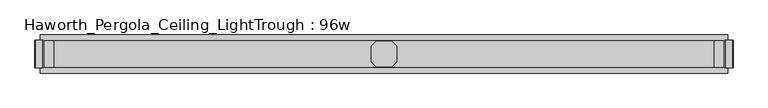
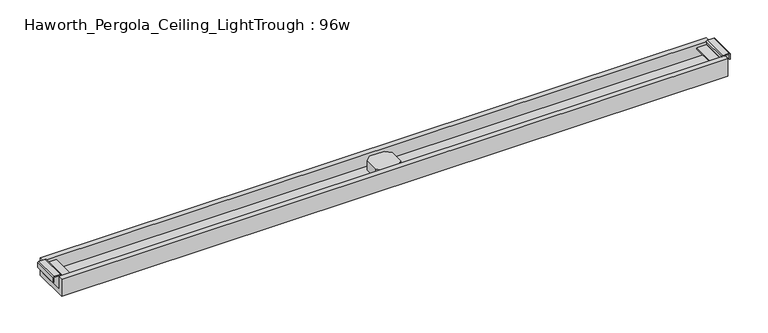
"""IFC4 building model written with IfcOpenShell, lengths in millimetres: furniture geometry, Haworth_Pergola_Ceiling_LightTrough : 96w."""

from ifc_helpers import new_model, si_unit, point, frame, frame_2d, origin, place, context, project, spatial, polyline, circle_curve, trimmed, segment, composite_curve, outline, extrude, source, transform, mapped, element, save


def haworth_pergola_ceiling_lighttrough_96w_c51599e8(model_context):
    return source(origin(), model_context, "Body", "SweptSolid", [
        extrude(outline(polyline([(335.2419998, 26.8840513), (353.3159515, 44.9580002), (407.0840484, 44.9580002), (425.1580002, 26.8840513), (425.1580002, -26.8840485), (407.0840484, -44.9580002), (353.3159515, -44.9580002), (335.2419998, -26.8840485), (335.2419998, 26.8840513)])), frame((0.0, 0.0, 2389.4796), z_axis=(0.0, 0.0, 1.0), x_axis=(1.0, 0.0, 0.0)), (0.0, 0.0, 1.0), 38.0999994),
        extrude(outline(composite_curve([segment(polyline([(2418.3545999, 1618.7534303), (2437.4045999, 1618.7534303)]), True, "CONTINUOUS"), segment(trimmed(circle_curve(frame_2d((2437.4045999, 1615.0934293)), 3.660001), [point((2437.4045999, 1618.7534303))], [point((2441.0646008, 1615.0934293))], False, "CARTESIAN"), True, "CONTINUOUS"), segment(polyline([(2441.0646008, 1615.0934293), (2441.0646008, 1591.6934303)]), True, "CONTINUOUS"), segment(trimmed(circle_curve(frame_2d((2437.0478931, 1592.0670697)), 4.0340485), [point((2441.0646008, 1591.6934303))], [point((2437.0478931, 1588.0330212))], False, "CARTESIAN"), True, "CONTINUOUS"), segment(polyline([(2437.0478931, 1588.0330212), (2426.6645986, 1588.0330212), (2425.6646, 1587.0330226), (2425.6646, 1551.5434301), (2423.0046, 1551.5434301), (2423.0046, 1587.0334301), (2423.0046, 1597.4999999), (2389.4796, 1597.4999999), (2389.4796, 1599.4), (2437.0478931, 1599.4), (2437.0478931, 1597.4999999), (2426.6645986, 1597.4999999), (2426.6645986, 1590.69343), (2437.0478931, 1590.69343), (2438.4045979, 1591.6934303), (2438.4045979, 1615.0934316), (2437.4045999, 1616.0934296), (2418.3545999, 1616.0934296), (2418.3545999, 1618.7534303)]), True, "CONTINUOUS")], self_intersect=False)), frame((0.0, -48.650001, 0.0), z_axis=(0.0, 1.0, 0.0), x_axis=(0.0, 0.0, 1.0)), (0.0, 0.0, 1.0), 97.3000021),
        extrude(outline(composite_curve([segment(polyline([(2418.3545999, -858.3534303), (2418.3545999, -855.6934296), (2437.4045999, -855.6934296), (2438.4045979, -854.6934316), (2438.4045979, -831.2934303), (2437.0478931, -830.29343), (2426.6645986, -830.29343), (2426.6645986, -837.1), (2437.0478931, -837.1), (2437.0478931, -839.0), (2389.4796, -839.0), (2389.4796, -837.1), (2423.0046, -837.1), (2423.0046, -826.6334301), (2423.0046, -791.1434301), (2425.6646, -791.1434301), (2425.6646, -826.6330226), (2426.6645986, -827.6330212), (2437.0478931, -827.6330212)]), True, "CONTINUOUS"), segment(trimmed(circle_curve(frame_2d((2437.0478931, -831.6670697)), 4.0340485), [point((2437.0478931, -827.6330212))], [point((2441.0646008, -831.2934303))], False, "CARTESIAN"), True, "CONTINUOUS"), segment(polyline([(2441.0646008, -831.2934303), (2441.0646008, -854.6934294)]), True, "CONTINUOUS"), segment(trimmed(circle_curve(frame_2d((2437.4045999, -854.6934294)), 3.660001), [point((2441.0646008, -854.6934294))], [point((2437.4045999, -858.3534303))], False, "CARTESIAN"), True, "CONTINUOUS"), segment(polyline([(2437.4045999, -858.3534303), (2418.3545999, -858.3534303)]), True, "CONTINUOUS")], self_intersect=False)), frame((0.0, -48.650001, 0.0), z_axis=(0.0, 1.0, 0.0), x_axis=(0.0, 0.0, 1.0)), (0.0, 0.0, 1.0), 97.3000021),
        extrude(outline(polyline([(67.700001, 2370.4296), (-67.700001, 2370.4296), (-67.700001, 2437.0478931), (-48.650001, 2437.0478931), (-48.650001, 2389.4796), (48.650001, 2389.4796), (48.650001, 2437.0478931), (67.700001, 2437.0478931), (67.700001, 2370.4296)])), frame((-839.0, 0.0, 0.0), z_axis=(1.0, 0.0, 0.0), x_axis=(0.0, 1.0, 0.0)), (0.0, 0.0, 1.0), 2438.4),
    ])


if __name__ == "__main__":
    model = new_model("IFC4")
    model_context = context("Model", 3, world=origin())
    ifc_project = project(units=[si_unit("LENGTHUNIT", "METRE", prefix="MILLI")], contexts=[model_context])
    site = spatial("IfcSite", under=ifc_project)
    building = spatial("IfcBuilding", under=site)
    placement = place(None, origin())
    haworth_pergola_ceiling_lighttrough_96w_shape = haworth_pergola_ceiling_lighttrough_96w_c51599e8(model_context)
    element("IfcFurniture", 1, ObjectType="Haworth_Pergola_Ceiling_LightTrough : 96w", at=placement, inside=building, context=model_context, shape_type="MappedRepresentation", body=[
        mapped(haworth_pergola_ceiling_lighttrough_96w_shape, transform((0.0, 0.0, 0.0), x_axis=(1.0, 0.0, 0.0), y_axis=(0.0, 1.0, 0.0), z_axis=(0.0, 0.0, 1.0))),
    ])
    save(model, "model.ifc")
